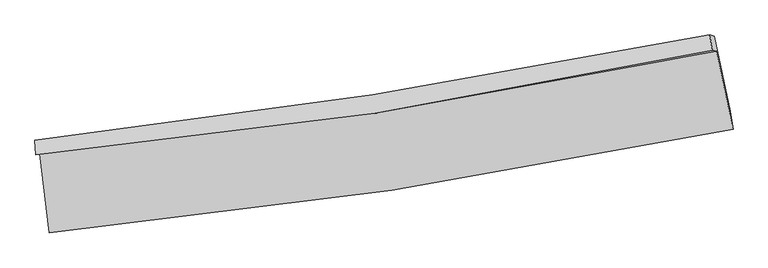
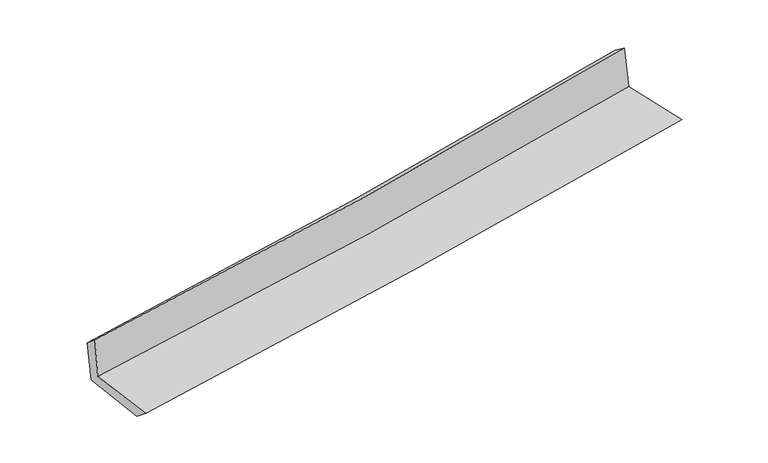
"""IFC4 building model written with IfcOpenShell, lengths in millimetres: proxy geometry."""

from ifc_helpers import new_model, si_unit, frame, origin, place, context, project, spatial, source, transform, mapped, element, save
from ifc_brep_helpers import plane_surface, spline_curve, spline_surface, advanced_brep


def generic_models_7b62185d(model_context):
    return source(origin(), model_context, "Body", "AdvancedBrep", [
        advanced_brep(
        [(-2892.4998423, -1903.1159934, 1627.7311545), (-2809.5460497, -2573.6041353, 1619.1092367), (2978.0213568, -1697.9466987, 2125.5292863), (2839.080796, -1035.1640272, 2116.9691465), (-2926.6992227, -1912.3782806, 2027.3712093), (2800.4624883, -1028.1518137, 2524.4950655), (-2932.5769126, -1789.9018094, 1924.0417889), (2781.643976, -898.9540937, 2432.1319397), (-2896.5849135, -1801.4255952, 1532.945749), (2819.0001091, -909.4192407, 2046.4425756), (-2816.7785585, -2436.0900112, 1510.2541002), (2954.6085164, -1544.8501845, 2028.2969493)],
        [
            (0, 1),
            (1, 2, spline_curve(3, [(-2809.5460497, -2573.6041353, 1619.1092367), (-1841.602649373, -2478.807971378, 1729.35516444), (-876.323609589, -2358.641520644, 1826.61954463), (1052.887613623, -2066.966031667, 1995.533846419), (2016.797709565, -1895.246669891, 2067.076149711), (2978.0213568, -1697.9466987, 2125.5292863)], [4, 2, 4], [0.0, 9.575358970197719, 19.190326516392247])),
            (2, 3),
            (3, 0, spline_curve(3, [(2839.080796, -1035.1640272, 2116.9691465), (1888.62583133, -1232.678790036, 2048.540566655), (934.773806804, -1403.860549572, 1973.458591384), (-975.781003156, -1692.961362635, 1810.324556671), (-1932.4558581, -1811.096924879, 1722.327201399), (-2892.4998423, -1903.1159934, 1627.7311545)], [4, 2, 4], [0.0, 9.614967546194528, 19.190326516392247])),
            (4, 0),
            (3, 5),
            (5, 4, spline_curve(3, [(2800.4624883, -1028.1518137, 2524.4950655), (1851.817711501, -1236.086577213, 2459.811025981), (899.238678202, -1413.829396239, 2385.937585536), (-1009.847572839, -1708.323314472, 2220.154078594), (-1966.322443161, -1825.322650924, 2128.319566592), (-2926.6992227, -1912.3782806, 2027.3712093)], [4, 2, 4], [0.0, 9.567050956797358, 19.094690728578534])),
            (6, 4),
            (5, 7),
            (7, 6, spline_curve(3, [(2781.643976, -898.9540937, 2432.1319397), (1833.223190853, -1088.904665201, 2353.240356227), (881.838780566, -1258.236366296, 2271.360171743), (-1022.925882703, -1555.04941057, 2101.972215921), (-1976.281768215, -1682.700281035, 2014.489016812), (-2932.5769126, -1789.9018094, 1924.0417889)], [4, 2, 4], [0.0, 9.556130558243446, 19.072894917731347])),
            (8, 6),
            (7, 9),
            (9, 8, spline_curve(3, [(2819.0001091, -909.4192407, 2046.4425756), (1870.817011427, -1099.502389593, 1961.528700368), (919.437051919, -1268.988827103, 1876.191167077), (-985.784240379, -1566.154933049, 1705.022074629), (-1939.599288224, -1694.003946965, 1619.193999247), (-2896.5849135, -1801.4255952, 1532.945749)], [4, 2, 4], [0.0, 9.547416470436186, 19.05550263954524])),
            (10, 8),
            (9, 11),
            (11, 10, spline_curve(3, [(2954.6085164, -1544.8501845, 2028.2969493), (1995.926724474, -1728.658966165, 1942.816229305), (1034.638865887, -1894.950553794, 1856.815458008), (-889.178252612, -2191.886470465, 1684.130232776), (-1851.686085802, -2322.674824774, 1597.450054364), (-2816.7785585, -2436.0900112, 1510.2541002)], [4, 2, 4], [0.0, 9.594018841217247, 19.148515404011665])),
            (1, 10),
            (11, 2),
        ],
        [
            spline_surface(3, 3, [[(-2892.4998423, -1903.1159934, 1627.7311545), (-1932.455857974, -1811.09692489, 1722.327201283), (-975.781003149, -1692.96136254, 1810.324556681), (934.773806797, -1403.860549668, 1973.458591374), (1888.625831439, -1232.678789946, 2048.54056664), (2839.080796, -1035.1640272, 2116.9691465)], [(-2864.848578117, -2126.612040699, 1624.857181905), (-1902.171455074, -2033.667273724, 1724.669855668), (-942.628538649, -1914.854748624, 1815.756219294), (974.145075788, -1624.895710316, 1980.817009735), (1931.349790863, -1453.534749961, 2054.71909428), (2885.39431628, -1256.091584349, 2119.822526426)], [(-2837.197313883, -2350.108088001, 1621.983209295), (-1871.887052121, -2256.23762256, 1727.012510039), (-909.476074192, -2136.748134661, 1821.187881943), (1013.516344736, -1845.930870918, 1988.175428132), (1974.073750246, -1674.390710028, 2060.897621941), (2931.70783652, -1477.019141551, 2122.675906374)], [(-2809.5460497, -2573.6041353, 1619.1092367), (-1841.60264922, -2478.807971394, 1729.355164423), (-876.323609692, -2358.641520744, 1826.619544556), (1052.887613727, -2066.966031566, 1995.533846493), (2016.79770967, -1895.246670043, 2067.076149582), (2978.0213568, -1697.9466987, 2125.5292863)]], [4, 4], [4, 2, 4], [0.0, 2.209693731009856], [0.0, 9.575358970197719, 19.190326516392247]),
            spline_surface(3, 3, [[(-2926.6992227, -1912.3782806, 2027.3712093), (-1966.322443215, -1825.322651034, 2128.319566741), (-1009.847572811, -1708.323314529, 2220.154078539), (899.238678173, -1413.829396182, 2385.937585592), (1851.817711487, -1236.086577069, 2459.811025862), (2800.4624883, -1028.1518137, 2524.4950655)], [(-2915.299429241, -1909.290851531, 1894.157857674), (-1955.033581475, -1820.580742318, 1992.988778229), (-998.492049608, -1703.202663837, 2083.544237927), (911.08372103, -1410.506447314, 2248.444587526), (1864.087084806, -1234.950648037, 2322.720872764), (2813.335257535, -1030.489218209, 2388.653092476)], [(-2903.899635759, -1906.203422469, 1760.944506126), (-1943.744719714, -1815.838833607, 1857.657989795), (-987.136526352, -1698.082013232, 1946.934397293), (922.92876394, -1407.183498535, 2110.951589439), (1876.35645812, -1233.814718978, 2185.630719737), (2826.208026765, -1032.826622691, 2252.811119524)], [(-2892.4998423, -1903.1159934, 1627.7311545), (-1932.455857974, -1811.09692489, 1722.327201283), (-975.781003149, -1692.96136254, 1810.324556681), (934.773806797, -1403.860549668, 1973.458591374), (1888.625831439, -1232.678789946, 2048.54056664), (2839.080796, -1035.1640272, 2116.9691465)]], [4, 4], [4, 2, 4], [0.0, 1.354409762650178], [0.0, 9.527639771781176, 19.094690728578534]),
            spline_surface(3, 3, [[(-2932.5769126, -1789.9018094, 1924.0417889), (-1976.281768337, -1682.700281138, 2014.489016715), (-1022.925882586, -1555.049410508, 2101.972215946), (881.838780449, -1258.236366358, 2271.360171718), (1833.223190912, -1088.904665097, 2353.240356122), (2781.643976, -898.9540937, 2432.1319397)], [(-2930.617682632, -1830.727299815, 1958.484929046), (-1972.961993295, -1730.241071118, 2052.432533403), (-1018.566445986, -1606.140711867, 2141.36617014), (887.638746365, -1310.100709652, 2309.552643005), (1839.421364419, -1137.965302433, 2388.763912731), (2787.916813416, -942.020000378, 2462.919648329)], [(-2928.658452668, -1871.552790185, 1992.928069154), (-1969.642218257, -1777.781861054, 2090.376050053), (-1014.207009411, -1657.23201317, 2180.760124345), (893.438712257, -1361.965052888, 2347.745114304), (1845.61953798, -1187.025939734, 2424.287469253), (2794.189650884, -985.085907022, 2493.707356871)], [(-2926.6992227, -1912.3782806, 2027.3712093), (-1966.322443215, -1825.322651034, 2128.319566741), (-1009.847572811, -1708.323314529, 2220.154078539), (899.238678173, -1413.829396182, 2385.937585592), (1851.817711487, -1236.086577069, 2459.811025862), (2800.4624883, -1028.1518137, 2524.4950655)]], [4, 4], [4, 2, 4], [0.0, 0.6363992951312969], [0.0, 9.516764359487901, 19.072894917731347]),
            spline_surface(3, 3, [[(-2896.5849135, -1801.4255952, 1532.945749), (-1939.599288145, -1694.003946918, 1619.193999204), (-985.784240255, -1566.154933039, 1705.022074769), (919.437051794, -1268.988827113, 1876.191166936), (1870.817011419, -1099.502389473, 1961.528700245), (2819.0001091, -909.4192407, 2046.4425756)], [(-2908.582246509, -1797.584333261, 1663.31109562), (-1951.826781518, -1690.236058318, 1750.959005027), (-998.164787688, -1562.453092198, 1837.338788515), (906.90429469, -1265.404673531, 2007.91416855), (1858.285737925, -1095.969814661, 2092.099252177), (2806.548064742, -905.930858347, 2175.005696939)], [(-2920.579579591, -1793.743071339, 1793.67644228), (-1964.054274964, -1686.468169737, 1882.724010891), (-1010.545335154, -1558.751251349, 1969.655502201), (894.371537553, -1261.820519941, 2139.637170104), (1845.754464406, -1092.437239909, 2222.66980419), (2794.096020358, -902.442476053, 2303.568818361)], [(-2932.5769126, -1789.9018094, 1924.0417889), (-1976.281768337, -1682.700281138, 2014.489016715), (-1022.925882586, -1555.049410508, 2101.972215946), (881.838780449, -1258.236366358, 2271.360171718), (1833.223190912, -1088.904665097, 2353.240356122), (2781.643976, -898.9540937, 2432.1319397)]], [4, 4], [4, 2, 4], [0.0, 1.3056599316410415], [0.0, 9.508086169109053, 19.05550263954524]),
            spline_surface(3, 3, [[(-2816.7785585, -2436.0900112, 1510.2541002), (-1851.686085643, -2322.674824735, 1597.45005421), (-889.178252687, -2191.88647032, 1684.130232617), (1034.638865963, -1894.95055394, 1856.815458167), (1995.926724621, -1728.658966137, 1942.816229457), (2954.6085164, -1544.8501845, 2028.2969493)], [(-2843.38067685, -2224.535205874, 1517.817983153), (-1880.990486494, -2113.11786547, 1604.698035895), (-921.380248543, -1983.309291215, 1691.094179992), (996.23826124, -1686.296644987, 1863.274027748), (1954.22348687, -1518.940107274, 1949.053719734), (2909.40571395, -1333.039869924, 2034.345491414)], [(-2869.98279515, -2012.980400526, 1525.381866047), (-1910.294887295, -1903.560906183, 1611.946017519), (-953.582244399, -1774.732112143, 1698.058127394), (957.837656517, -1477.642736066, 1869.732597356), (1912.520249169, -1309.221248337, 1955.291209968), (2864.20291155, -1121.229555276, 2040.394033486)], [(-2896.5849135, -1801.4255952, 1532.945749), (-1939.599288145, -1694.003946918, 1619.193999204), (-985.784240255, -1566.154933039, 1705.022074769), (919.437051794, -1268.988827113, 1876.191166936), (1870.817011419, -1099.502389473, 1961.528700245), (2819.0001091, -909.4192407, 2046.4425756)]], [4, 4], [4, 2, 4], [0.0, 2.0835623657407094], [0.0, 9.554496562794418, 19.148515404011665]),
            spline_surface(3, 3, [[(-2809.5460497, -2573.6041353, 1619.1092367), (-1841.60264922, -2478.807971394, 1729.355164423), (-876.323609692, -2358.641520744, 1826.619544556), (1052.887613727, -2066.966031566, 1995.533846493), (2016.79770967, -1895.246670043, 2067.076149582), (2978.0213568, -1697.9466987, 2125.5292863)], [(-2811.956885952, -2527.766093921, 1582.824191202), (-1844.96379468, -2426.763589161, 1685.386794354), (-880.608490706, -2303.05650394, 1779.123107241), (1046.804697789, -2009.627539028, 1949.294383716), (2009.840714664, -1839.717435401, 2025.656176221), (2970.217076677, -1646.914527293, 2093.118507314)], [(-2814.367722248, -2481.928052579, 1546.539145698), (-1848.324940184, -2374.719206967, 1641.418424279), (-884.893371673, -2247.471487124, 1731.626669932), (1040.7217819, -1952.289046479, 1903.054920945), (2002.883719628, -1784.188200779, 1984.236202817), (2962.412796523, -1595.882355907, 2060.707728286)], [(-2816.7785585, -2436.0900112, 1510.2541002), (-1851.686085643, -2322.674824735, 1597.45005421), (-889.178252687, -2191.88647032, 1684.130232617), (1034.638865963, -1894.95055394, 1856.815458167), (1995.926724621, -1728.658966137, 1942.816229457), (2954.6085164, -1544.8501845, 2028.2969493)]], [4, 4], [4, 2, 4], [0.0, 0.7240511266553731], [0.0, 9.610786592678567, 19.261328308097703]),
            plane_surface(frame((2862.1362071, -1185.7476764, 2212.3108271), z_axis=(0.9746263727859873, 0.2054602184641576, 0.08882303810774805), x_axis=(-0.0963692244323123, 0.02699739032798735, 0.9949794538068577))),
            plane_surface(frame((-2879.1142499, -2069.4193042, 1706.9088731), z_axis=(-0.9887698221895389, -0.1212078818785677, -0.08742361293025443), x_axis=(-0.12277532436949591, 0.9923524480218541, 0.012760824072085342))),
        ],
        [
            (0, [[1, 2, 3, 4]]),
            (1, [[5, -4, 6, 7]]),
            (2, [[8, -7, 9, 10]]),
            (3, [[11, -10, 12, 13]]),
            (4, [[14, -13, 15, 16]]),
            (5, [[17, -16, 18, -2]]),
            (6, [[-12, -9, -6, -3, -18, -15]]),
            (7, [[-1, -5, -8, -11, -14, -17]]),
        ],
    ),
    ])


if __name__ == "__main__":
    model = new_model("IFC4")
    model_context = context("Model", 3, world=origin())
    ifc_project = project(units=[si_unit("LENGTHUNIT", "METRE", prefix="MILLI")], contexts=[model_context])
    site = spatial("IfcSite", under=ifc_project)
    building = spatial("IfcBuilding", under=site)
    placement = place(None, origin())
    generic_models_shape = generic_models_7b62185d(model_context)
    element("IfcBuildingElementProxy", 1, Name="Generic Models", at=placement, inside=building, context=model_context, shape_type="MappedRepresentation", body=[
        mapped(generic_models_shape, transform((0.0, 0.0, 0.0), x_axis=(1.0, 0.0, 0.0), y_axis=(0.0, 1.0, 0.0), z_axis=(0.0, 0.0, 1.0))),
    ])
    save(model, "model.ifc")
